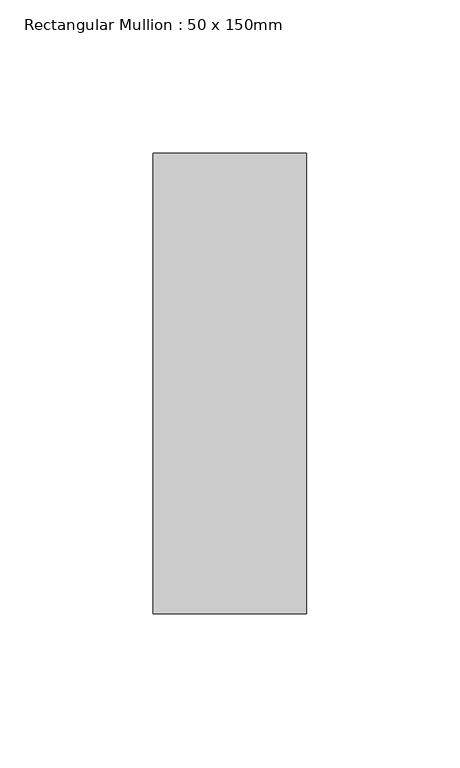
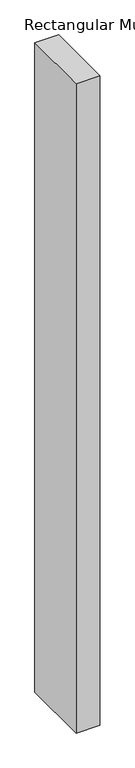
"""IFC4 building model written with IfcOpenShell, lengths in millimetres: member geometry, Rectangular Mullion : 50 x 150mm."""

import ifcopenshell
import ifcopenshell.guid

model = None  # the IFC model being written
_history = None  # IfcOwnerHistory: only IFC2X3 demands one
_inside = {}  # id of a spatial element -> (the spatial element, [elements in it])
_under = {}  # id of a project, library or spatial element -> (it, [spatial elements below it])
_declared = {}  # id of a project -> (the project, [libraries it declares])
_typed = {}  # id of a type object -> (the type object, [elements of that type])
_made_of = {}  # id of a material, layer set ... -> (it, [elements and type objects made of it])


def new_model(schema):
    """Start an empty IFC model of exactly this schema.

    Asked for "IFC4X3", IfcOpenShell would pick the latest addendum, in which some entities
    have other attributes; the version numbers below select the first issue.
    IFC2X3 requires an IfcOwnerHistory on every rooted entity: one is made here for all.
    """
    global model, _history
    if schema == "IFC4X3":
        model = ifcopenshell.file(schema_version=(4, 3, 0, 0))
    else:
        model = ifcopenshell.file(schema=schema)
    _inside.clear()
    _under.clear()
    _declared.clear()
    _typed.clear()
    _made_of.clear()
    _history = None
    if model.schema == "IFC2X3":
        org = make("IfcOrganization", Name="unknown")
        user = make(
            "IfcPersonAndOrganization",
            ThePerson=make("IfcPerson", FamilyName="unknown"),
            TheOrganization=org,
        )
        app = make(
            "IfcApplication",
            ApplicationDeveloper=org,
            Version="unknown",
            ApplicationFullName="unknown",
            ApplicationIdentifier="unknown",
        )
        _history = make(
            "IfcOwnerHistory",
            OwningUser=user,
            OwningApplication=app,
            ChangeAction="ADDED",
            CreationDate=0,
        )
    return model


def make(cls, **values):
    """One entity of the class cls with the attributes given. An attribute that is None is left unset."""
    return model.create_entity(
        cls, **{name: value for name, value in values.items() if value is not None}
    )


def rooted(cls, **values):
    """An entity with a GlobalId (a new one), such as an element, a storey or a relation."""
    return make(cls, GlobalId=ifcopenshell.guid.new(), OwnerHistory=_history, **values)


def si_unit(unit_type, name, prefix=None):
    """IfcSIUnit, for example si_unit("LENGTHUNIT", "METRE", prefix="MILLI")."""
    return make("IfcSIUnit", UnitType=unit_type, Prefix=prefix, Name=name)


def assignment(units):
    """IfcUnitAssignment: the units of a project."""
    return None if units is None else make("IfcUnitAssignment", Units=units)


def point(xyz):
    """IfcCartesianPoint."""
    return None if xyz is None else make("IfcCartesianPoint", Coordinates=xyz)


def direction(xyz):
    """IfcDirection."""
    return None if xyz is None else make("IfcDirection", DirectionRatios=xyz)


def frame(location, z_axis=None, x_axis=None):
    """IfcAxis2Placement3D, a coordinate frame: its origin and axes. An axis left out is left unset."""
    return make(
        "IfcAxis2Placement3D",
        Location=point(location),
        Axis=direction(z_axis),
        RefDirection=direction(x_axis),
    )


def origin():
    """The frame at (0, 0, 0) with its axes left unset."""
    return frame((0.0, 0.0, 0.0))


def place(relative_to, where):
    """IfcLocalPlacement: puts the frame where relative to a parent placement (None: the world)."""
    return make(
        "IfcLocalPlacement", PlacementRelTo=relative_to, RelativePlacement=where
    )


def context(
    kind, dimensions, precision=None, world=None, true_north=None, identifier=None
):
    """IfcGeometricRepresentationContext, for example the 3D "Model" context."""
    return make(
        "IfcGeometricRepresentationContext",
        ContextIdentifier=identifier,
        ContextType=kind,
        CoordinateSpaceDimension=dimensions,
        Precision=precision,
        WorldCoordinateSystem=world,
        TrueNorth=true_north,
    )


def project(units=None, contexts=None):
    """IfcProject with its units and contexts."""
    return rooted(
        "IfcProject",
        Name="project",
        RepresentationContexts=contexts,
        UnitsInContext=assignment(units),
    )


def spatial(cls, under=None, at=None, **own):
    """A site, building, storey or space (cls), placed at a placement, below another one or the project."""
    s = rooted(cls, ObjectPlacement=at, **own)
    if under is not None:
        _under.setdefault(under.id(), (under, []))[1].append(s)
    return s


def polyline(points):
    """IfcPolyline through the points."""
    return make("IfcPolyline", Points=[point(p) for p in points])


def outline(outer, holes=None, kind="AREA"):
    """IfcArbitraryClosedProfileDef: a profile drawn as a closed curve; with holes, ...WithVoids."""
    if holes is None:
        return make("IfcArbitraryClosedProfileDef", ProfileType=kind, OuterCurve=outer)
    return make(
        "IfcArbitraryProfileDefWithVoids",
        ProfileType=kind,
        OuterCurve=outer,
        InnerCurves=holes,
    )


def extrude(swept, where, along, depth):
    """IfcExtrudedAreaSolid: the profile swept, set in the frame where, extruded along a direction by depth."""
    return make(
        "IfcExtrudedAreaSolid",
        SweptArea=swept,
        Position=where,
        ExtrudedDirection=direction(along),
        Depth=depth,
    )


def shape(context_of_items, identifier, shape_type, items):
    """IfcShapeRepresentation: the items that make up one representation, for example the "Body"."""
    return make(
        "IfcShapeRepresentation",
        ContextOfItems=context_of_items,
        RepresentationIdentifier=identifier,
        RepresentationType=shape_type,
        Items=items,
    )


def source(mapping_origin, context_of_items, identifier, shape_type, items):
    """IfcRepresentationMap: a shape defined once, which mapped items show again and again."""
    return make(
        "IfcRepresentationMap",
        MappingOrigin=mapping_origin,
        MappedRepresentation=shape(context_of_items, identifier, shape_type, items),
    )


def transform(
    local_origin,
    x_axis=None,
    y_axis=None,
    z_axis=None,
    scale=None,
    scale2=None,
    scale3=None,
    uniform=True,
):
    """IfcCartesianTransformationOperator3D, or its non-uniform kind. x_axis, y_axis, z_axis: its Axis1, 2, 3."""
    if uniform:
        return make(
            "IfcCartesianTransformationOperator3D",
            Axis1=direction(x_axis),
            Axis2=direction(y_axis),
            LocalOrigin=point(local_origin),
            Scale=scale,
            Axis3=direction(z_axis),
        )
    return make(
        "IfcCartesianTransformationOperator3DnonUniform",
        Axis1=direction(x_axis),
        Axis2=direction(y_axis),
        LocalOrigin=point(local_origin),
        Scale=scale,
        Axis3=direction(z_axis),
        Scale2=scale2,
        Scale3=scale3,
    )


def mapped(mapping_source, mapping_target):
    """IfcMappedItem: shows the shape of a source again, moved by a transform."""
    return make(
        "IfcMappedItem", MappingSource=mapping_source, MappingTarget=mapping_target
    )


def made_of(thing, what):
    """Note that an element or type object is made of a material, layer set ...; save() writes the relation."""
    if what is not None:
        _made_of.setdefault(what.id(), (what, []))[1].append(thing)
    return thing


def element(
    cls,
    number,
    at=None,
    inside=None,
    cuts=None,
    type_object=None,
    material=None,
    context=None,
    identifier="Body",
    shape_type=None,
    held_by="IfcProductDefinitionShape",
    body=None,
    shapes=None,
    **own,
):
    """One element of the class cls, such as IfcWall. Its Tag is "e" and its number.

    at: its placement. inside: the storey or other place that contains it. cuts: it is an
    opening in that element (IfcRelVoidsElement). A single representation is given by context,
    identifier, shape_type and body (its items); several are given by shapes. held_by: the class
    of the entity that holds the representations. save() writes the other relations.
    """
    e = rooted(cls, Tag="e%d" % number, ObjectPlacement=at, **own)
    if body is not None:
        shapes = [shape(context, identifier, shape_type, body)]
    if shapes is not None:
        e.Representation = make(held_by, Representations=shapes)
    if inside is not None:
        _inside.setdefault(inside.id(), (inside, []))[1].append(e)
    if cuts is not None:
        rooted(
            "IfcRelVoidsElement", RelatingBuildingElement=cuts, RelatedOpeningElement=e
        )
    if type_object is not None:
        _typed.setdefault(type_object.id(), (type_object, []))[1].append(e)
    return made_of(e, material)


def aggregate(whole, parts):
    """IfcRelAggregates: a whole, such as a stair, and the parts it consists of."""
    return rooted("IfcRelAggregates", RelatingObject=whole, RelatedObjects=parts)


def save(model, path):
    """Write the relations noted so far, then the file.

    IfcRelAggregates (storeys below a building ...), IfcRelContainedInSpatialStructure (elements
    in a storey), IfcRelDefinesByType, IfcRelAssociatesMaterial and IfcRelDeclares: one each for
    every whole, place, type object, material and project.
    """
    for whole, parts in _under.values():
        aggregate(whole, parts)
    for where, things in _inside.values():
        rooted(
            "IfcRelContainedInSpatialStructure",
            RelatedElements=things,
            RelatingStructure=where,
        )
    for kind, things in _typed.values():
        rooted("IfcRelDefinesByType", RelatedObjects=things, RelatingType=kind)
    for what, things in _made_of.values():
        rooted("IfcRelAssociatesMaterial", RelatedObjects=things, RelatingMaterial=what)
    for by, libraries in _declared.values():
        rooted("IfcRelDeclares", RelatingContext=by, RelatedDefinitions=libraries)
    model.write(path)


def rectangular_mullion_50_x_150mm_97ae4c1c(model_context):
    return source(origin(), model_context, "Body", "SweptSolid", [
        extrude(outline(polyline([(0.0, 75.0), (0.0, -75.0), (-50.0, -75.0), (-50.0, 75.0), (0.0, 75.0)])), frame((0.0, 0.0, -1444.4444444), z_axis=(0.0, 0.0, 1.0), x_axis=(1.0, 0.0, 0.0)), (0.0, 0.0, 1.0), 1444.4444444),
    ])


if __name__ == "__main__":
    model = new_model("IFC4")
    model_context = context("Model", 3, world=origin())
    ifc_project = project(units=[si_unit("LENGTHUNIT", "METRE", prefix="MILLI")], contexts=[model_context])
    site = spatial("IfcSite", under=ifc_project)
    building = spatial("IfcBuilding", under=site)
    placement = place(None, origin())
    rectangular_mullion_50_x_150mm_shape = rectangular_mullion_50_x_150mm_97ae4c1c(model_context)
    element("IfcMember", 1, ObjectType="Rectangular Mullion : 50 x 150mm", at=placement, inside=building, context=model_context, shape_type="MappedRepresentation", body=[
        mapped(rectangular_mullion_50_x_150mm_shape, transform((0.0, 0.0, 0.0), x_axis=(1.0, 0.0, 0.0), y_axis=(0.0, 1.0, 0.0), z_axis=(0.0, 0.0, 1.0))),
    ])
    save(model, "model.ifc")
